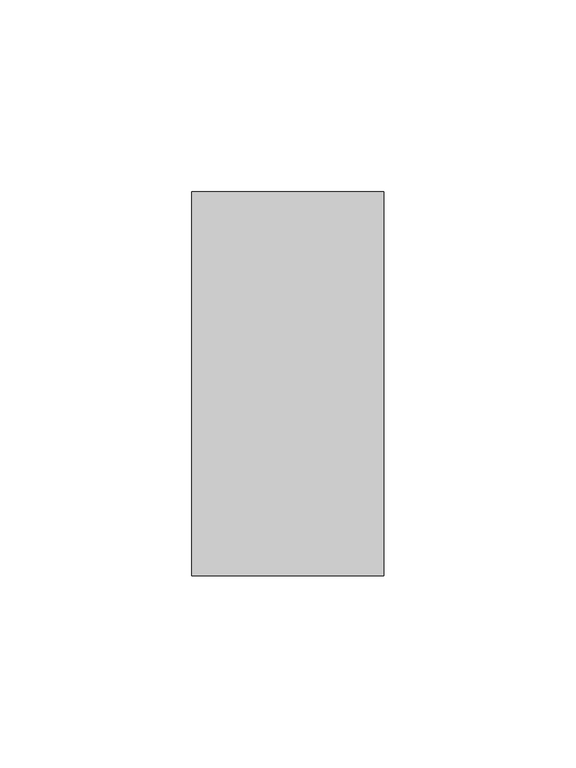
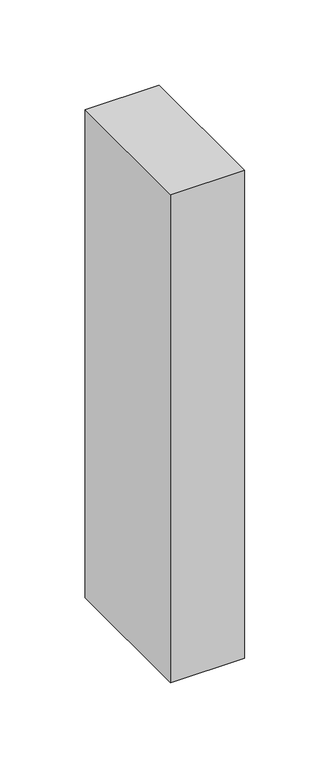
"""IFC4 building model written with IfcOpenShell, lengths in millimetres: member geometry."""

from ifc_helpers import new_model, si_unit, frame, origin, place, context, project, spatial, polyline, outline, extrude, source, transform, mapped, element, save


def member_baae22b8(model_context):
    return source(origin(), model_context, "Body", "SweptSolid", [
        extrude(outline(polyline([(25.0, 50.0), (25.0, -50.0), (-25.0, -50.0), (-25.0, 50.0), (25.0, 50.0)])), frame((0.0, 0.0, -348.3248819), z_axis=(0.0, 0.0, 1.0), x_axis=(1.0, 0.0, 0.0)), (0.0, 0.0, 1.0), 348.3248819),
    ])


if __name__ == "__main__":
    model = new_model("IFC4")
    model_context = context("Model", 3, world=origin())
    ifc_project = project(units=[si_unit("LENGTHUNIT", "METRE", prefix="MILLI")], contexts=[model_context])
    site = spatial("IfcSite", under=ifc_project)
    building = spatial("IfcBuilding", under=site)
    placement = place(None, origin())
    member_shape = member_baae22b8(model_context)
    element("IfcMember", 1, at=placement, inside=building, context=model_context, shape_type="MappedRepresentation", body=[
        mapped(member_shape, transform((0.0, 0.0, 0.0), x_axis=(1.0, 0.0, 0.0), y_axis=(0.0, 1.0, 0.0), z_axis=(0.0, 0.0, 1.0))),
    ])
    save(model, "model.ifc")
